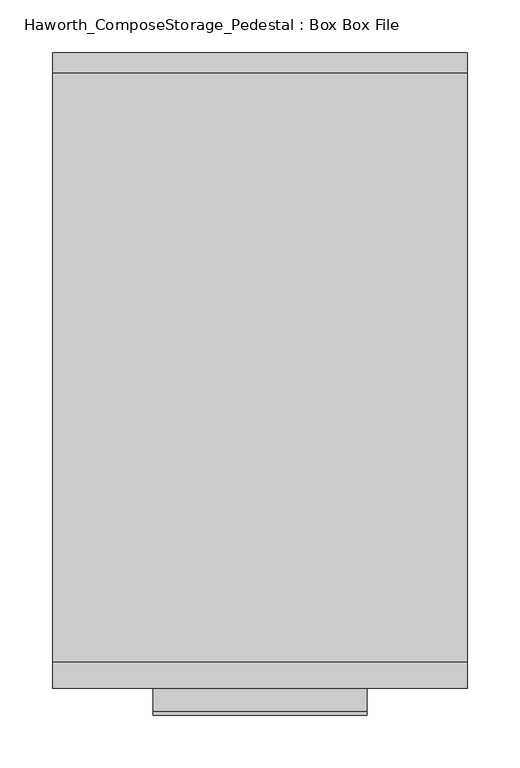
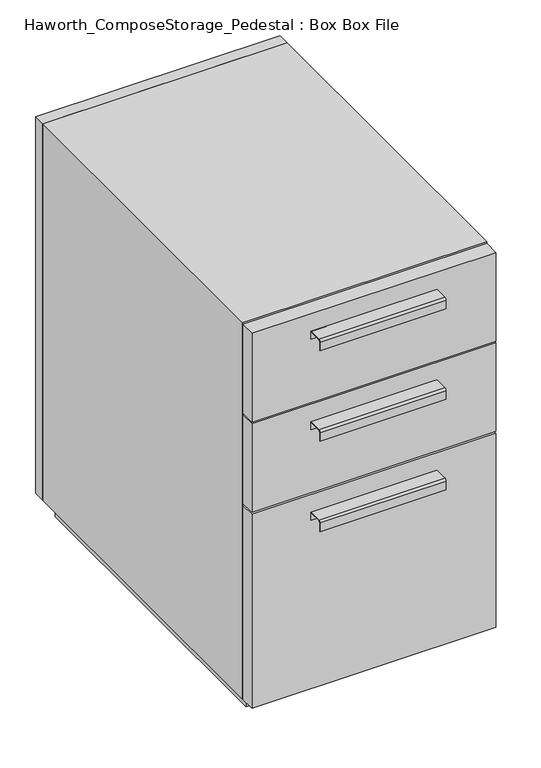
"""IFC4 building model written with IfcOpenShell, lengths in millimetres: furniture geometry, Haworth_ComposeStorage_Pedestal : Box Box File."""

from ifc_helpers import new_model, si_unit, point, frame, frame_2d, origin, origin_with_axes, place, context, project, spatial, polyline, circle_curve, trimmed, segment, composite_curve, outline, extrude, source, transform, mapped, element, save


def haworth_composestorage_pedestal_box_box_file_4a74d7a1(model_context):
    return source(origin(), model_context, "Body", "SweptSolid", [
        extrude(outline(composite_curve([segment(polyline([(-276.2250242, 633.9919215), (-254.0, 633.9919215), (-254.0, 620.5299525), (-254.7937742, 620.5299525), (-254.7937742, 633.1982199), (-276.2250242, 633.1982199)]), True, "CONTINUOUS"), segment(trimmed(circle_curve(frame_2d((-276.2250242, 630.8142808)), 2.3839392), [point((-276.2250242, 633.1982199))], [point((-278.6089634, 630.8142808))], True, "CARTESIAN"), True, "CONTINUOUS"), segment(polyline([(-278.6089634, 630.8142808), (-278.6089634, 616.2119021), (-279.3999758, 616.2119021), (-279.3999758, 630.8169699)]), True, "CONTINUOUS"), segment(trimmed(circle_curve(frame_2d((-276.2250242, 630.8169699)), 3.1749516), [point((-279.3999758, 630.8169699))], [point((-276.2250242, 633.9919215))], False, "CARTESIAN"), True, "CONTINUOUS")], self_intersect=False)), frame((-101.5861094, 0.0, 0.0), z_axis=(1.0, 0.0, 0.0), x_axis=(0.0, 1.0, 0.0)), (0.0, 0.0, 1.0), 203.2),
        extrude(outline(polyline([(196.8638906, -228.6), (196.8638906, -254.0), (-196.8361094, -254.0), (-196.8361094, -228.6), (196.8638906, -228.6)])), frame((0.0, 0.0, 512.7625), z_axis=(0.0, 0.0, 1.0), x_axis=(1.0, 0.0, 0.0)), (0.0, 0.0, 1.0), 150.8125),
        extrude(outline(composite_curve([segment(polyline([(-276.2250242, 480.0044215), (-254.0, 480.0044215), (-254.0, 466.5424525), (-254.7937742, 466.5424525), (-254.7937742, 479.2107199), (-276.2250242, 479.2107199)]), True, "CONTINUOUS"), segment(trimmed(circle_curve(frame_2d((-276.2250242, 476.8267808)), 2.3839392), [point((-276.2250242, 479.2107199))], [point((-278.6089634, 476.8267808))], True, "CARTESIAN"), True, "CONTINUOUS"), segment(polyline([(-278.6089634, 476.8267808), (-278.6089634, 462.2244021), (-279.3999758, 462.2244021), (-279.3999758, 476.8294699)]), True, "CONTINUOUS"), segment(trimmed(circle_curve(frame_2d((-276.2250242, 476.8294699)), 3.1749516), [point((-279.3999758, 476.8294699))], [point((-276.2250242, 480.0044215))], False, "CARTESIAN"), True, "CONTINUOUS")], self_intersect=False)), frame((-101.5861094, 0.0, 0.0), z_axis=(1.0, 0.0, 0.0), x_axis=(0.0, 1.0, 0.0)), (0.0, 0.0, 1.0), 203.2),
        extrude(outline(polyline([(196.8638906, -228.6), (196.8638906, -254.0), (-196.8361094, -254.0), (-196.8361094, -228.6), (196.8638906, -228.6)])), frame((0.0, 0.0, 358.775), z_axis=(0.0, 0.0, 1.0), x_axis=(1.0, 0.0, 0.0)), (0.0, 0.0, 1.0), 150.8125),
        extrude(outline(composite_curve([segment(polyline([(-276.2250242, 326.0169215), (-254.0, 326.0169215), (-254.0, 312.5549525), (-254.7937742, 312.5549525), (-254.7937742, 325.2232199), (-276.2250242, 325.2232199)]), True, "CONTINUOUS"), segment(trimmed(circle_curve(frame_2d((-276.2250242, 322.8392808)), 2.3839392), [point((-276.2250242, 325.2232199))], [point((-278.6089634, 322.8392808))], True, "CARTESIAN"), True, "CONTINUOUS"), segment(polyline([(-278.6089634, 322.8392808), (-278.6089634, 308.2369021), (-279.3999758, 308.2369021), (-279.3999758, 322.8419699)]), True, "CONTINUOUS"), segment(trimmed(circle_curve(frame_2d((-276.2250242, 322.8419699)), 3.1749516), [point((-279.3999758, 322.8419699))], [point((-276.2250242, 326.0169215))], False, "CARTESIAN"), True, "CONTINUOUS")], self_intersect=False)), frame((-101.5861094, 0.0, 0.0), z_axis=(1.0, 0.0, 0.0), x_axis=(0.0, 1.0, 0.0)), (0.0, 0.0, 1.0), 203.2),
        extrude(outline(polyline([(196.8638906, -228.6), (196.8638906, -254.0), (-196.8361094, -254.0), (-196.8361094, -228.6), (196.8638906, -228.6)])), frame((0.0, 0.0, 25.4), z_axis=(0.0, 0.0, 1.0), x_axis=(1.0, 0.0, 0.0)), (0.0, 0.0, 1.0), 330.2),
        extrude(outline(polyline([(196.8638906, 330.2), (-196.8361094, 330.2), (-196.8361094, 349.25), (196.8638906, 349.25), (196.8638906, 330.2)])), frame((0.0, 0.0, 25.4), z_axis=(0.0, 0.0, 1.0), x_axis=(1.0, 0.0, 0.0)), (0.0, 0.0, 1.0), 641.35),
        extrude(outline(polyline([(25.4, -196.8361094), (25.4, 196.8638906), (666.75, 196.8638906), (666.75, -196.8361094), (25.4, -196.8361094)]), holes=[polyline([(44.45, -177.7861094), (647.7, -177.7861094), (647.7, 177.8069453), (44.45, 177.8069453), (44.45, -177.7861094)])]), frame((0.0, -228.6, 0.0), z_axis=(0.0, 1.0, 0.0), x_axis=(0.0, 0.0, 1.0)), (0.0, 0.0, 1.0), 558.8),
        extrude(outline(polyline([(-177.7791641, 295.275), (-177.7791641, 304.8), (177.8069453, 304.8), (177.8069453, 295.275), (-177.7791641, 295.275)])), frame((0.0, 0.0, 44.45), z_axis=(0.0, 0.0, 1.0), x_axis=(1.0, 0.0, 0.0)), (0.0, 0.0, 1.0), 603.25),
        extrude(outline(polyline([(184.1638906, -215.9), (-184.1361094, -215.9), (-184.1361094, 317.5), (184.1638906, 317.5), (184.1638906, -215.9)])), origin_with_axes(), (0.0, 0.0, 1.0), 25.4),
    ])


if __name__ == "__main__":
    model = new_model("IFC4")
    model_context = context("Model", 3, world=origin())
    ifc_project = project(units=[si_unit("LENGTHUNIT", "METRE", prefix="MILLI")], contexts=[model_context])
    site = spatial("IfcSite", under=ifc_project)
    building = spatial("IfcBuilding", under=site)
    placement = place(None, origin())
    haworth_composestorage_pedestal_box_box_file_shape = haworth_composestorage_pedestal_box_box_file_4a74d7a1(model_context)
    element("IfcFurniture", 1, ObjectType="Haworth_ComposeStorage_Pedestal : Box Box File", at=placement, inside=building, context=model_context, shape_type="MappedRepresentation", body=[
        mapped(haworth_composestorage_pedestal_box_box_file_shape, transform((0.0, 0.0, 0.0), x_axis=(1.0, 0.0, 0.0), y_axis=(0.0, 1.0, 0.0), z_axis=(0.0, 0.0, 1.0))),
    ])
    save(model, "model.ifc")
